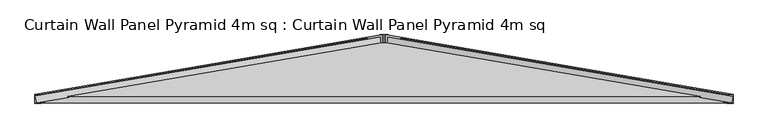
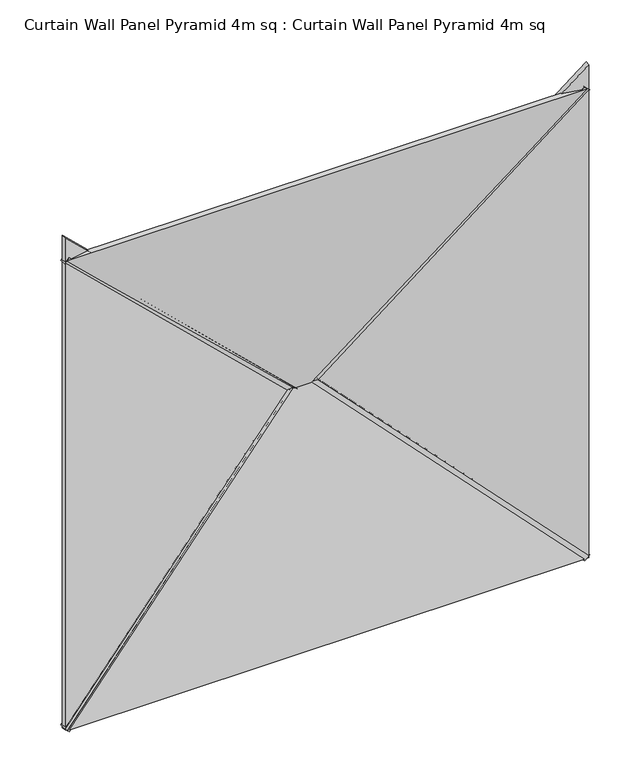
"""IFC4 building model written with IfcOpenShell, lengths in millimetres: plate geometry, Curtain Wall Panel Pyramid 4m sq : Curtain Wall Panel Pyramid 4m sq."""

import ifcopenshell
import ifcopenshell.guid

model = None  # the IFC model being written
_history = None  # IfcOwnerHistory: only IFC2X3 demands one
_inside = {}  # id of a spatial element -> (the spatial element, [elements in it])
_under = {}  # id of a project, library or spatial element -> (it, [spatial elements below it])
_declared = {}  # id of a project -> (the project, [libraries it declares])
_typed = {}  # id of a type object -> (the type object, [elements of that type])
_made_of = {}  # id of a material, layer set ... -> (it, [elements and type objects made of it])


def new_model(schema):
    """Start an empty IFC model of exactly this schema.

    Asked for "IFC4X3", IfcOpenShell would pick the latest addendum, in which some entities
    have other attributes; the version numbers below select the first issue.
    IFC2X3 requires an IfcOwnerHistory on every rooted entity: one is made here for all.
    """
    global model, _history
    if schema == "IFC4X3":
        model = ifcopenshell.file(schema_version=(4, 3, 0, 0))
    else:
        model = ifcopenshell.file(schema=schema)
    _inside.clear()
    _under.clear()
    _declared.clear()
    _typed.clear()
    _made_of.clear()
    _history = None
    if model.schema == "IFC2X3":
        org = make("IfcOrganization", Name="unknown")
        user = make(
            "IfcPersonAndOrganization",
            ThePerson=make("IfcPerson", FamilyName="unknown"),
            TheOrganization=org,
        )
        app = make(
            "IfcApplication",
            ApplicationDeveloper=org,
            Version="unknown",
            ApplicationFullName="unknown",
            ApplicationIdentifier="unknown",
        )
        _history = make(
            "IfcOwnerHistory",
            OwningUser=user,
            OwningApplication=app,
            ChangeAction="ADDED",
            CreationDate=0,
        )
    return model


def make(cls, **values):
    """One entity of the class cls with the attributes given. An attribute that is None is left unset."""
    return model.create_entity(
        cls, **{name: value for name, value in values.items() if value is not None}
    )


def rooted(cls, **values):
    """An entity with a GlobalId (a new one), such as an element, a storey or a relation."""
    return make(cls, GlobalId=ifcopenshell.guid.new(), OwnerHistory=_history, **values)


def si_unit(unit_type, name, prefix=None):
    """IfcSIUnit, for example si_unit("LENGTHUNIT", "METRE", prefix="MILLI")."""
    return make("IfcSIUnit", UnitType=unit_type, Prefix=prefix, Name=name)


def assignment(units):
    """IfcUnitAssignment: the units of a project."""
    return None if units is None else make("IfcUnitAssignment", Units=units)


def point(xyz):
    """IfcCartesianPoint."""
    return None if xyz is None else make("IfcCartesianPoint", Coordinates=xyz)


def direction(xyz):
    """IfcDirection."""
    return None if xyz is None else make("IfcDirection", DirectionRatios=xyz)


def frame(location, z_axis=None, x_axis=None):
    """IfcAxis2Placement3D, a coordinate frame: its origin and axes. An axis left out is left unset."""
    return make(
        "IfcAxis2Placement3D",
        Location=point(location),
        Axis=direction(z_axis),
        RefDirection=direction(x_axis),
    )


def origin():
    """The frame at (0, 0, 0) with its axes left unset."""
    return frame((0.0, 0.0, 0.0))


def place(relative_to, where):
    """IfcLocalPlacement: puts the frame where relative to a parent placement (None: the world)."""
    return make(
        "IfcLocalPlacement", PlacementRelTo=relative_to, RelativePlacement=where
    )


def context(
    kind, dimensions, precision=None, world=None, true_north=None, identifier=None
):
    """IfcGeometricRepresentationContext, for example the 3D "Model" context."""
    return make(
        "IfcGeometricRepresentationContext",
        ContextIdentifier=identifier,
        ContextType=kind,
        CoordinateSpaceDimension=dimensions,
        Precision=precision,
        WorldCoordinateSystem=world,
        TrueNorth=true_north,
    )


def project(units=None, contexts=None):
    """IfcProject with its units and contexts."""
    return rooted(
        "IfcProject",
        Name="project",
        RepresentationContexts=contexts,
        UnitsInContext=assignment(units),
    )


def spatial(cls, under=None, at=None, **own):
    """A site, building, storey or space (cls), placed at a placement, below another one or the project."""
    s = rooted(cls, ObjectPlacement=at, **own)
    if under is not None:
        _under.setdefault(under.id(), (under, []))[1].append(s)
    return s


def polyline(points):
    """IfcPolyline through the points."""
    return make("IfcPolyline", Points=[point(p) for p in points])


def outline(outer, holes=None, kind="AREA"):
    """IfcArbitraryClosedProfileDef: a profile drawn as a closed curve; with holes, ...WithVoids."""
    if holes is None:
        return make("IfcArbitraryClosedProfileDef", ProfileType=kind, OuterCurve=outer)
    return make(
        "IfcArbitraryProfileDefWithVoids",
        ProfileType=kind,
        OuterCurve=outer,
        InnerCurves=holes,
    )


def extrude(swept, where, along, depth):
    """IfcExtrudedAreaSolid: the profile swept, set in the frame where, extruded along a direction by depth."""
    return make(
        "IfcExtrudedAreaSolid",
        SweptArea=swept,
        Position=where,
        ExtrudedDirection=direction(along),
        Depth=depth,
    )


def shape(context_of_items, identifier, shape_type, items):
    """IfcShapeRepresentation: the items that make up one representation, for example the "Body"."""
    return make(
        "IfcShapeRepresentation",
        ContextOfItems=context_of_items,
        RepresentationIdentifier=identifier,
        RepresentationType=shape_type,
        Items=items,
    )


def source(mapping_origin, context_of_items, identifier, shape_type, items):
    """IfcRepresentationMap: a shape defined once, which mapped items show again and again."""
    return make(
        "IfcRepresentationMap",
        MappingOrigin=mapping_origin,
        MappedRepresentation=shape(context_of_items, identifier, shape_type, items),
    )


def transform(
    local_origin,
    x_axis=None,
    y_axis=None,
    z_axis=None,
    scale=None,
    scale2=None,
    scale3=None,
    uniform=True,
):
    """IfcCartesianTransformationOperator3D, or its non-uniform kind. x_axis, y_axis, z_axis: its Axis1, 2, 3."""
    if uniform:
        return make(
            "IfcCartesianTransformationOperator3D",
            Axis1=direction(x_axis),
            Axis2=direction(y_axis),
            LocalOrigin=point(local_origin),
            Scale=scale,
            Axis3=direction(z_axis),
        )
    return make(
        "IfcCartesianTransformationOperator3DnonUniform",
        Axis1=direction(x_axis),
        Axis2=direction(y_axis),
        LocalOrigin=point(local_origin),
        Scale=scale,
        Axis3=direction(z_axis),
        Scale2=scale2,
        Scale3=scale3,
    )


def mapped(mapping_source, mapping_target):
    """IfcMappedItem: shows the shape of a source again, moved by a transform."""
    return make(
        "IfcMappedItem", MappingSource=mapping_source, MappingTarget=mapping_target
    )


def made_of(thing, what):
    """Note that an element or type object is made of a material, layer set ...; save() writes the relation."""
    if what is not None:
        _made_of.setdefault(what.id(), (what, []))[1].append(thing)
    return thing


def element(
    cls,
    number,
    at=None,
    inside=None,
    cuts=None,
    type_object=None,
    material=None,
    context=None,
    identifier="Body",
    shape_type=None,
    held_by="IfcProductDefinitionShape",
    body=None,
    shapes=None,
    **own,
):
    """One element of the class cls, such as IfcWall. Its Tag is "e" and its number.

    at: its placement. inside: the storey or other place that contains it. cuts: it is an
    opening in that element (IfcRelVoidsElement). A single representation is given by context,
    identifier, shape_type and body (its items); several are given by shapes. held_by: the class
    of the entity that holds the representations. save() writes the other relations.
    """
    e = rooted(cls, Tag="e%d" % number, ObjectPlacement=at, **own)
    if body is not None:
        shapes = [shape(context, identifier, shape_type, body)]
    if shapes is not None:
        e.Representation = make(held_by, Representations=shapes)
    if inside is not None:
        _inside.setdefault(inside.id(), (inside, []))[1].append(e)
    if cuts is not None:
        rooted(
            "IfcRelVoidsElement", RelatingBuildingElement=cuts, RelatedOpeningElement=e
        )
    if type_object is not None:
        _typed.setdefault(type_object.id(), (type_object, []))[1].append(e)
    return made_of(e, material)


def aggregate(whole, parts):
    """IfcRelAggregates: a whole, such as a stair, and the parts it consists of."""
    return rooted("IfcRelAggregates", RelatingObject=whole, RelatedObjects=parts)


def save(model, path):
    """Write the relations noted so far, then the file.

    IfcRelAggregates (storeys below a building ...), IfcRelContainedInSpatialStructure (elements
    in a storey), IfcRelDefinesByType, IfcRelAssociatesMaterial and IfcRelDeclares: one each for
    every whole, place, type object, material and project.
    """
    for whole, parts in _under.values():
        aggregate(whole, parts)
    for where, things in _inside.values():
        rooted(
            "IfcRelContainedInSpatialStructure",
            RelatedElements=things,
            RelatingStructure=where,
        )
    for kind, things in _typed.values():
        rooted("IfcRelDefinesByType", RelatedObjects=things, RelatingType=kind)
    for what, things in _made_of.values():
        rooted("IfcRelAssociatesMaterial", RelatedObjects=things, RelatingMaterial=what)
    for by, libraries in _declared.values():
        rooted("IfcRelDeclares", RelatingContext=by, RelatedDefinitions=libraries)
    model.write(path)


def curtain_wall_panel_pyramid_4m_sq_curtain_wall_panel_pyramid_85c99ed5(model_context):
    return source(origin(), model_context, "Body", "SweptSolid", [
        extrude(outline(polyline([(-25.0, 0.0), (25.0, 0.0), (-319.5008531, -2828.2124727), (-369.5008531, -2828.2124727), (-25.0, 0.0)])), frame((1974.8223305, 25.0, -17.6776695), z_axis=(0.7071067811865489, 0.0, 0.7071067811865462), x_axis=(0.0, -1.0, 0.0)), (0.0, 0.0, 1.0), 50.0),
        extrude(outline(polyline([(-25.0, 0.0), (25.0, 0.0), (369.5008531, -2828.2124727), (319.5008531, -2828.2124727), (-25.0, 0.0)])), frame((-1974.8223305, 25.0, -17.6776695), z_axis=(-0.7071067811865476, 0.0, 0.7071067811865476), x_axis=(0.0, 1.0, 0.0)), (0.0, 0.0, 1.0), 50.0),
        extrude(outline(polyline([(-25.0, 0.0), (25.0, 0.0), (369.5008531, -2828.2124727), (319.5008531, -2828.2124727), (-25.0, 0.0)])), frame((-2010.1776695, 25.0, 3782.3223305), z_axis=(0.7071067811865488, 0.0, 0.7071067811865462), x_axis=(0.0, 1.0, 0.0)), (0.0, 0.0, 1.0), 50.0),
        extrude(outline(polyline([(-25.0, 0.0), (25.0, 0.0), (-319.5008531, -2828.2124727), (-369.5008531, -2828.2124727), (-25.0, 0.0)])), frame((2010.1776695, 25.0, 3782.3223305), z_axis=(-0.7071067811865472, 0.0, 0.7071067811865479), x_axis=(0.0, -1.0, 0.0)), (0.0, 0.0, 1.0), 50.0),
        extrude(outline(polyline([(1993.2098768, -1014.7271131), (-2.1709376, 1016.8143409), (3988.5906912, 1016.8143409), (1993.2098768, -1014.7271131)])), frame((1000.0, 172.8335872, 0.0), z_axis=(0.16975307948003834, 0.9854866270056859, 0.0), x_axis=(0.0, 0.0, 1.0)), (0.0, 0.0, 1.0), 40.0),
        extrude(outline(polyline([(0.0, -1014.7271131), (-1991.3928218, 1012.7540773), (1991.3928218, 1012.7540773), (0.0, -1014.7271131)])), frame((0.0, 212.2530523, 986.4197536), z_axis=(0.0, -0.9854866270056859, 0.16975307948003834), x_axis=(-1.0, 0.0, 0.0)), (0.0, 0.0, 1.0), 40.0),
        extrude(outline(polyline([(1993.2098768, 1014.7271131), (3986.6374086, -1014.8256606), (-0.217655, -1014.8256606), (1993.2098768, 1014.7271131)])), frame((-1000.0, 172.8335872, 0.0), z_axis=(-0.16975307948003834, 0.9854866270056859, 0.0), x_axis=(0.0, 0.0, 1.0)), (0.0, 0.0, 1.0), 40.0),
        extrude(outline(polyline([(1996.304868, -1017.8221042), (-1996.2959025, -1017.8221042), (2.4233431, 976.0594205), (1996.304868, -1017.8221042)])), frame((0.0, 172.8335872, 2793.2098768), z_axis=(0.0, 0.9854866270056859, 0.16975307948003832), x_axis=(1.0, 0.0, 0.0)), (0.0, 0.0, 1.0), 40.0),
    ])


if __name__ == "__main__":
    model = new_model("IFC4")
    model_context = context("Model", 3, world=origin())
    ifc_project = project(units=[si_unit("LENGTHUNIT", "METRE", prefix="MILLI")], contexts=[model_context])
    site = spatial("IfcSite", under=ifc_project)
    building = spatial("IfcBuilding", under=site)
    placement = place(None, origin())
    curtain_wall_panel_pyramid_4m_sq_curtain_wall_panel_pyramid_shape = curtain_wall_panel_pyramid_4m_sq_curtain_wall_panel_pyramid_85c99ed5(model_context)
    element("IfcPlate", 1, ObjectType="Curtain Wall Panel Pyramid 4m sq : Curtain Wall Panel Pyramid 4m sq", at=placement, inside=building, context=model_context, shape_type="MappedRepresentation", body=[
        mapped(curtain_wall_panel_pyramid_4m_sq_curtain_wall_panel_pyramid_shape, transform((0.0, 0.0, 0.0), x_axis=(1.0, 0.0, 0.0), y_axis=(0.0, 1.0, 0.0), z_axis=(0.0, 0.0, 1.0))),
    ])
    save(model, "model.ifc")
